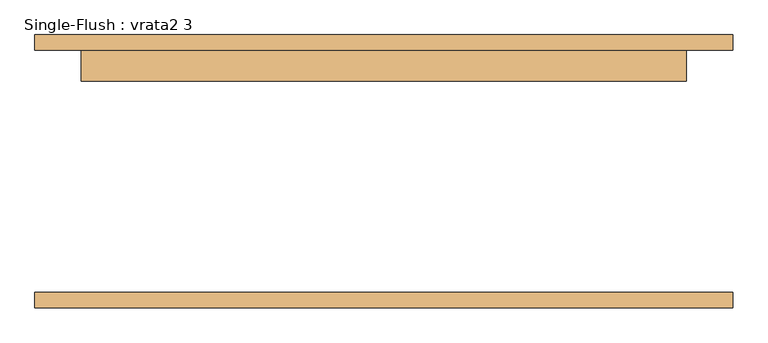
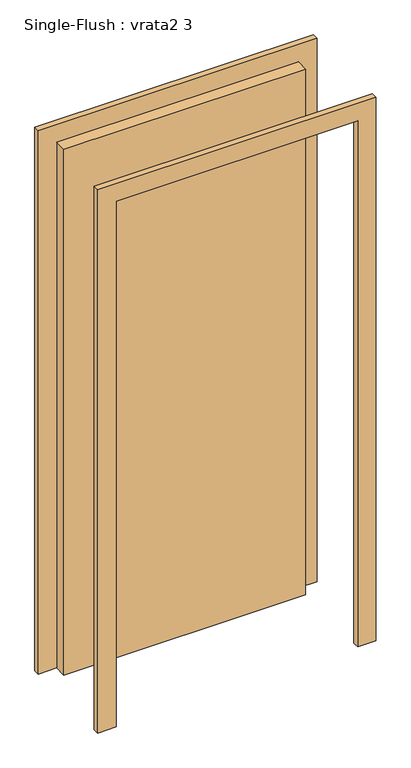
"""IFC4 building model written with IfcOpenShell, lengths in millimetres: door geometry, Single-Flush : vrata2 3."""

import ifcopenshell
import ifcopenshell.guid

model = None  # the IFC model being written
_history = None  # IfcOwnerHistory: only IFC2X3 demands one
_inside = {}  # id of a spatial element -> (the spatial element, [elements in it])
_under = {}  # id of a project, library or spatial element -> (it, [spatial elements below it])
_declared = {}  # id of a project -> (the project, [libraries it declares])
_typed = {}  # id of a type object -> (the type object, [elements of that type])
_made_of = {}  # id of a material, layer set ... -> (it, [elements and type objects made of it])


def new_model(schema):
    """Start an empty IFC model of exactly this schema.

    Asked for "IFC4X3", IfcOpenShell would pick the latest addendum, in which some entities
    have other attributes; the version numbers below select the first issue.
    IFC2X3 requires an IfcOwnerHistory on every rooted entity: one is made here for all.
    """
    global model, _history
    if schema == "IFC4X3":
        model = ifcopenshell.file(schema_version=(4, 3, 0, 0))
    else:
        model = ifcopenshell.file(schema=schema)
    _inside.clear()
    _under.clear()
    _declared.clear()
    _typed.clear()
    _made_of.clear()
    _history = None
    if model.schema == "IFC2X3":
        org = make("IfcOrganization", Name="unknown")
        user = make(
            "IfcPersonAndOrganization",
            ThePerson=make("IfcPerson", FamilyName="unknown"),
            TheOrganization=org,
        )
        app = make(
            "IfcApplication",
            ApplicationDeveloper=org,
            Version="unknown",
            ApplicationFullName="unknown",
            ApplicationIdentifier="unknown",
        )
        _history = make(
            "IfcOwnerHistory",
            OwningUser=user,
            OwningApplication=app,
            ChangeAction="ADDED",
            CreationDate=0,
        )
    return model


def make(cls, **values):
    """One entity of the class cls with the attributes given. An attribute that is None is left unset."""
    return model.create_entity(
        cls, **{name: value for name, value in values.items() if value is not None}
    )


def rooted(cls, **values):
    """An entity with a GlobalId (a new one), such as an element, a storey or a relation."""
    return make(cls, GlobalId=ifcopenshell.guid.new(), OwnerHistory=_history, **values)


def si_unit(unit_type, name, prefix=None):
    """IfcSIUnit, for example si_unit("LENGTHUNIT", "METRE", prefix="MILLI")."""
    return make("IfcSIUnit", UnitType=unit_type, Prefix=prefix, Name=name)


def assignment(units):
    """IfcUnitAssignment: the units of a project."""
    return None if units is None else make("IfcUnitAssignment", Units=units)


def point(xyz):
    """IfcCartesianPoint."""
    return None if xyz is None else make("IfcCartesianPoint", Coordinates=xyz)


def direction(xyz):
    """IfcDirection."""
    return None if xyz is None else make("IfcDirection", DirectionRatios=xyz)


def frame(location, z_axis=None, x_axis=None):
    """IfcAxis2Placement3D, a coordinate frame: its origin and axes. An axis left out is left unset."""
    return make(
        "IfcAxis2Placement3D",
        Location=point(location),
        Axis=direction(z_axis),
        RefDirection=direction(x_axis),
    )


def origin():
    """The frame at (0, 0, 0) with its axes left unset."""
    return frame((0.0, 0.0, 0.0))


def origin_with_axes():
    """The frame at (0, 0, 0) with the z axis (0, 0, 1) and the x axis (1, 0, 0) written out."""
    return frame((0.0, 0.0, 0.0), z_axis=(0.0, 0.0, 1.0), x_axis=(1.0, 0.0, 0.0))


def place(relative_to, where):
    """IfcLocalPlacement: puts the frame where relative to a parent placement (None: the world)."""
    return make(
        "IfcLocalPlacement", PlacementRelTo=relative_to, RelativePlacement=where
    )


def context(
    kind, dimensions, precision=None, world=None, true_north=None, identifier=None
):
    """IfcGeometricRepresentationContext, for example the 3D "Model" context."""
    return make(
        "IfcGeometricRepresentationContext",
        ContextIdentifier=identifier,
        ContextType=kind,
        CoordinateSpaceDimension=dimensions,
        Precision=precision,
        WorldCoordinateSystem=world,
        TrueNorth=true_north,
    )


def project(units=None, contexts=None):
    """IfcProject with its units and contexts."""
    return rooted(
        "IfcProject",
        Name="project",
        RepresentationContexts=contexts,
        UnitsInContext=assignment(units),
    )


def spatial(cls, under=None, at=None, **own):
    """A site, building, storey or space (cls), placed at a placement, below another one or the project."""
    s = rooted(cls, ObjectPlacement=at, **own)
    if under is not None:
        _under.setdefault(under.id(), (under, []))[1].append(s)
    return s


def polyline(points):
    """IfcPolyline through the points."""
    return make("IfcPolyline", Points=[point(p) for p in points])


def outline(outer, holes=None, kind="AREA"):
    """IfcArbitraryClosedProfileDef: a profile drawn as a closed curve; with holes, ...WithVoids."""
    if holes is None:
        return make("IfcArbitraryClosedProfileDef", ProfileType=kind, OuterCurve=outer)
    return make(
        "IfcArbitraryProfileDefWithVoids",
        ProfileType=kind,
        OuterCurve=outer,
        InnerCurves=holes,
    )


def extrude(swept, where, along, depth):
    """IfcExtrudedAreaSolid: the profile swept, set in the frame where, extruded along a direction by depth."""
    return make(
        "IfcExtrudedAreaSolid",
        SweptArea=swept,
        Position=where,
        ExtrudedDirection=direction(along),
        Depth=depth,
    )


def shape(context_of_items, identifier, shape_type, items):
    """IfcShapeRepresentation: the items that make up one representation, for example the "Body"."""
    return make(
        "IfcShapeRepresentation",
        ContextOfItems=context_of_items,
        RepresentationIdentifier=identifier,
        RepresentationType=shape_type,
        Items=items,
    )


def source(mapping_origin, context_of_items, identifier, shape_type, items):
    """IfcRepresentationMap: a shape defined once, which mapped items show again and again."""
    return make(
        "IfcRepresentationMap",
        MappingOrigin=mapping_origin,
        MappedRepresentation=shape(context_of_items, identifier, shape_type, items),
    )


def transform(
    local_origin,
    x_axis=None,
    y_axis=None,
    z_axis=None,
    scale=None,
    scale2=None,
    scale3=None,
    uniform=True,
):
    """IfcCartesianTransformationOperator3D, or its non-uniform kind. x_axis, y_axis, z_axis: its Axis1, 2, 3."""
    if uniform:
        return make(
            "IfcCartesianTransformationOperator3D",
            Axis1=direction(x_axis),
            Axis2=direction(y_axis),
            LocalOrigin=point(local_origin),
            Scale=scale,
            Axis3=direction(z_axis),
        )
    return make(
        "IfcCartesianTransformationOperator3DnonUniform",
        Axis1=direction(x_axis),
        Axis2=direction(y_axis),
        LocalOrigin=point(local_origin),
        Scale=scale,
        Axis3=direction(z_axis),
        Scale2=scale2,
        Scale3=scale3,
    )


def mapped(mapping_source, mapping_target):
    """IfcMappedItem: shows the shape of a source again, moved by a transform."""
    return make(
        "IfcMappedItem", MappingSource=mapping_source, MappingTarget=mapping_target
    )


def made_of(thing, what):
    """Note that an element or type object is made of a material, layer set ...; save() writes the relation."""
    if what is not None:
        _made_of.setdefault(what.id(), (what, []))[1].append(thing)
    return thing


def element(
    cls,
    number,
    at=None,
    inside=None,
    cuts=None,
    type_object=None,
    material=None,
    context=None,
    identifier="Body",
    shape_type=None,
    held_by="IfcProductDefinitionShape",
    body=None,
    shapes=None,
    **own,
):
    """One element of the class cls, such as IfcWall. Its Tag is "e" and its number.

    at: its placement. inside: the storey or other place that contains it. cuts: it is an
    opening in that element (IfcRelVoidsElement). A single representation is given by context,
    identifier, shape_type and body (its items); several are given by shapes. held_by: the class
    of the entity that holds the representations. save() writes the other relations.
    """
    e = rooted(cls, Tag="e%d" % number, ObjectPlacement=at, **own)
    if body is not None:
        shapes = [shape(context, identifier, shape_type, body)]
    if shapes is not None:
        e.Representation = make(held_by, Representations=shapes)
    if inside is not None:
        _inside.setdefault(inside.id(), (inside, []))[1].append(e)
    if cuts is not None:
        rooted(
            "IfcRelVoidsElement", RelatingBuildingElement=cuts, RelatedOpeningElement=e
        )
    if type_object is not None:
        _typed.setdefault(type_object.id(), (type_object, []))[1].append(e)
    return made_of(e, material)


def aggregate(whole, parts):
    """IfcRelAggregates: a whole, such as a stair, and the parts it consists of."""
    return rooted("IfcRelAggregates", RelatingObject=whole, RelatedObjects=parts)


def save(model, path):
    """Write the relations noted so far, then the file.

    IfcRelAggregates (storeys below a building ...), IfcRelContainedInSpatialStructure (elements
    in a storey), IfcRelDefinesByType, IfcRelAssociatesMaterial and IfcRelDeclares: one each for
    every whole, place, type object, material and project.
    """
    for whole, parts in _under.values():
        aggregate(whole, parts)
    for where, things in _inside.values():
        rooted(
            "IfcRelContainedInSpatialStructure",
            RelatedElements=things,
            RelatingStructure=where,
        )
    for kind, things in _typed.values():
        rooted("IfcRelDefinesByType", RelatedObjects=things, RelatingType=kind)
    for what, things in _made_of.values():
        rooted("IfcRelAssociatesMaterial", RelatedObjects=things, RelatingMaterial=what)
    for by, libraries in _declared.values():
        rooted("IfcRelDeclares", RelatingContext=by, RelatedDefinitions=libraries)
    model.write(path)


def single_flush_vrata2_3_ac0fe241(model_context):
    return source(origin(), model_context, "Body", "SweptSolid", [
        extrude(outline(polyline([(2376.2, -576.2), (0.0, -576.2), (0.0, -500.0), (2300.0, -500.0), (2300.0, 500.0), (0.0, 500.0), (0.0, 576.2), (2376.2, 576.2), (2376.2, -576.2)])), frame((0.0, 200.0, 0.0), z_axis=(0.0, 1.0, 0.0), x_axis=(0.0, 0.0, 1.0)), (0.0, 0.0, 1.0), 25.4),
        extrude(outline(polyline([(2376.2, 576.2), (2376.2, -576.2), (0.0, -576.2), (0.0, -500.0), (2300.0, -500.0), (2300.0, 500.0), (0.0, 500.0), (0.0, 576.2), (2376.2, 576.2)])), frame((0.0, -225.4, 0.0), z_axis=(0.0, 1.0, 0.0), x_axis=(0.0, 0.0, 1.0)), (0.0, 0.0, 1.0), 25.4),
        extrude(outline(polyline([(500.0, 149.2), (-500.0, 149.2), (-500.0, 200.0), (500.0, 200.0), (500.0, 149.2)])), origin_with_axes(), (0.0, 0.0, 1.0), 2300.0),
    ])


if __name__ == "__main__":
    model = new_model("IFC4")
    model_context = context("Model", 3, world=origin())
    ifc_project = project(units=[si_unit("LENGTHUNIT", "METRE", prefix="MILLI")], contexts=[model_context])
    site = spatial("IfcSite", under=ifc_project)
    building = spatial("IfcBuilding", under=site)
    placement = place(None, origin())
    single_flush_vrata2_3_shape = single_flush_vrata2_3_ac0fe241(model_context)
    element("IfcDoor", 1, ObjectType="Single-Flush : vrata2 3", at=placement, inside=building, context=model_context, shape_type="MappedRepresentation", body=[
        mapped(single_flush_vrata2_3_shape, transform((0.0, 0.0, 0.0), x_axis=(1.0, 0.0, 0.0), y_axis=(0.0, 1.0, 0.0), z_axis=(0.0, 0.0, 1.0))),
    ])
    save(model, "model.ifc")
